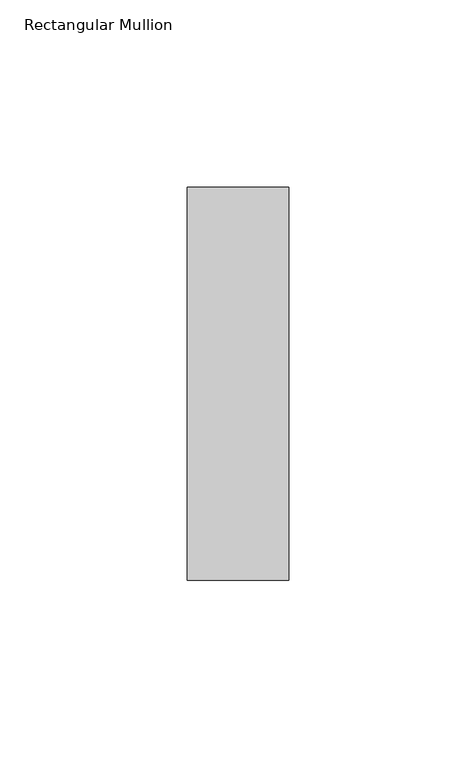
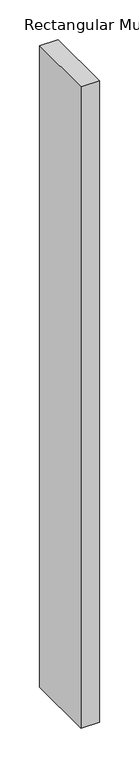
"""IFC4 building model written with IfcOpenShell, lengths in millimetres: member geometry, Rectangular Mullion."""

from ifc_helpers import new_model, si_unit, frame, origin, place, context, project, spatial, polyline, outline, extrude, source, transform, mapped, element, save


def rectangular_mullion_9787bb0c(model_context):
    return source(origin(), model_context, "Body", "SweptSolid", [
        extrude(outline(polyline([(0.0, 52.3975), (0.0, -52.3975), (-27.0, -52.3975), (-27.0, 52.3975), (0.0, 52.3975)])), frame((0.0, 0.0, -990.0), z_axis=(0.0, 0.0, 1.0), x_axis=(1.0, 0.0, 0.0)), (0.0, 0.0, 1.0), 990.0),
    ])


if __name__ == "__main__":
    model = new_model("IFC4")
    model_context = context("Model", 3, world=origin())
    ifc_project = project(units=[si_unit("LENGTHUNIT", "METRE", prefix="MILLI")], contexts=[model_context])
    site = spatial("IfcSite", under=ifc_project)
    building = spatial("IfcBuilding", under=site)
    placement = place(None, origin())
    rectangular_mullion_shape = rectangular_mullion_9787bb0c(model_context)
    element("IfcMember", 1, ObjectType="Rectangular Mullion", at=placement, inside=building, context=model_context, shape_type="MappedRepresentation", body=[
        mapped(rectangular_mullion_shape, transform((0.0, 0.0, 0.0), x_axis=(1.0, 0.0, 0.0), y_axis=(0.0, 1.0, 0.0), z_axis=(0.0, 0.0, 1.0))),
    ])
    save(model, "model.ifc")
